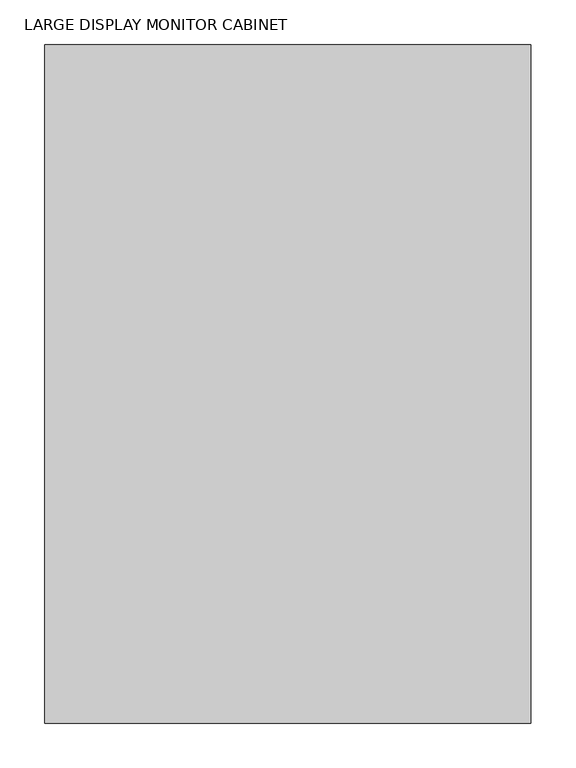
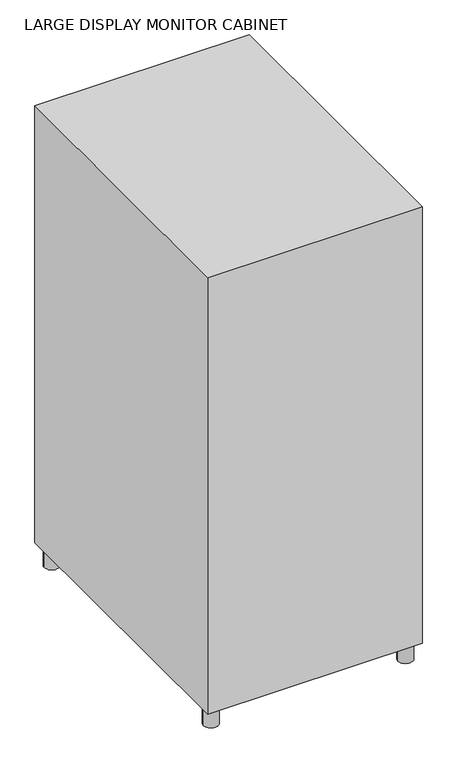
"""IFC4 building model written with IfcOpenShell, lengths in millimetres: proxy geometry, LARGE DISPLAY MONITOR CABINET."""

from ifc_helpers import new_model, si_unit, point, frame, frame_2d, origin, origin_with_axes, place, context, project, spatial, polyline, circle_curve, trimmed, segment, composite_curve, outline, extrude, source, transform, mapped, element, save


def large_display_monitor_cabinet_35505f1d(model_context):
    return source(origin(), model_context, "Body", "SweptSolid", [
        extrude(outline(composite_curve([segment(trimmed(circle_curve(frame_2d((25.2343257, -118.9149273)), 19.05), [point((6.1843257, -118.9149273))], [point((44.2843257, -118.9149273))], False, "CARTESIAN"), True, "CONTINUOUS"), segment(trimmed(circle_curve(frame_2d((25.2343257, -118.9149273)), 19.05), [point((44.2843257, -118.9149273))], [point((6.1843257, -118.9149273))], False, "CARTESIAN"), True, "CONTINUOUS")], self_intersect=False)), origin_with_axes(), (0.0, 0.0, 1.0), 50.8),
        extrude(outline(composite_curve([segment(trimmed(circle_curve(frame_2d((520.8656743, -118.9149273)), 19.05), [point((501.8156743, -118.9149273))], [point((539.9156743, -118.9149273))], False, "CARTESIAN"), True, "CONTINUOUS"), segment(trimmed(circle_curve(frame_2d((520.8656743, -118.9149273)), 19.05), [point((539.9156743, -118.9149273))], [point((501.8156743, -118.9149273))], False, "CARTESIAN"), True, "CONTINUOUS")], self_intersect=False)), origin_with_axes(), (0.0, 0.0, 1.0), 50.8),
        extrude(outline(composite_curve([segment(trimmed(circle_curve(frame_2d((25.2343257, -820.8850727)), 19.05), [point((6.1843257, -820.8850727))], [point((44.2843257, -820.8850727))], False, "CARTESIAN"), True, "CONTINUOUS"), segment(trimmed(circle_curve(frame_2d((25.2343257, -820.8850727)), 19.05), [point((44.2843257, -820.8850727))], [point((6.1843257, -820.8850727))], False, "CARTESIAN"), True, "CONTINUOUS")], self_intersect=False)), origin_with_axes(), (0.0, 0.0, 1.0), 50.8),
        extrude(outline(composite_curve([segment(trimmed(circle_curve(frame_2d((520.8656743, -820.8850727)), 19.05), [point((501.8156743, -820.8850727))], [point((539.9156743, -820.8850727))], False, "CARTESIAN"), True, "CONTINUOUS"), segment(trimmed(circle_curve(frame_2d((520.8656743, -820.8850727)), 19.05), [point((539.9156743, -820.8850727))], [point((501.8156743, -820.8850727))], False, "CARTESIAN"), True, "CONTINUOUS")], self_intersect=False)), origin_with_axes(), (0.0, 0.0, 1.0), 50.8),
        extrude(outline(polyline([(546.1, -88.9), (546.1, -850.9), (0.0, -850.9), (0.0, -88.9), (546.1, -88.9)])), frame((0.0, 0.0, 50.8), z_axis=(0.0, 0.0, 1.0), x_axis=(1.0, 0.0, 0.0)), (0.0, 0.0, 1.0), 1176.0398438),
    ])


if __name__ == "__main__":
    model = new_model("IFC4")
    model_context = context("Model", 3, world=origin())
    ifc_project = project(units=[si_unit("LENGTHUNIT", "METRE", prefix="MILLI")], contexts=[model_context])
    site = spatial("IfcSite", under=ifc_project)
    building = spatial("IfcBuilding", under=site)
    placement = place(None, origin())
    large_display_monitor_cabinet_shape = large_display_monitor_cabinet_35505f1d(model_context)
    element("IfcBuildingElementProxy", 1, Name="LARGE DISPLAY MONITOR CABINET", ObjectType="LARGE DISPLAY MONITOR CABINET", at=placement, inside=building, context=model_context, shape_type="MappedRepresentation", body=[
        mapped(large_display_monitor_cabinet_shape, transform((0.0, 0.0, 0.0), x_axis=(1.0, 0.0, 0.0), y_axis=(0.0, 1.0, 0.0), z_axis=(0.0, 0.0, 1.0))),
    ])
    save(model, "model.ifc")
